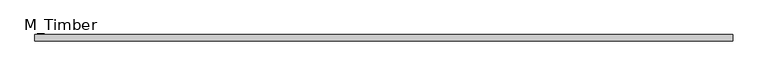
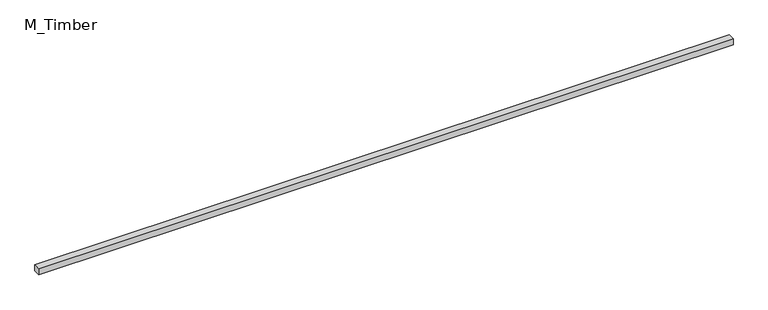
"""IFC4 building model written with IfcOpenShell, lengths in millimetres: beam geometry, M_Timber."""

from ifc_helpers import new_model, si_unit, frame, origin, place, context, project, spatial, polyline, outline, extrude, source, transform, mapped, element, save


def m_timber_11ebd1b0(model_context):
    return source(origin(), model_context, "Body", "SweptSolid", [
        extrude(outline(polyline([(2155.7893488, 20.0), (2155.7893488, -20.0), (-2155.7893488, -20.0), (-2155.7893488, 20.0), (2155.7893488, 20.0)])), frame((0.0, 0.0, -20.0), z_axis=(0.0, 0.0, 1.0), x_axis=(1.0, 0.0, 0.0)), (0.0, 0.0, 1.0), 40.0),
    ])


if __name__ == "__main__":
    model = new_model("IFC4")
    model_context = context("Model", 3, world=origin())
    ifc_project = project(units=[si_unit("LENGTHUNIT", "METRE", prefix="MILLI")], contexts=[model_context])
    site = spatial("IfcSite", under=ifc_project)
    building = spatial("IfcBuilding", under=site)
    placement = place(None, origin())
    m_timber_shape = m_timber_11ebd1b0(model_context)
    element("IfcBeam", 1, ObjectType="M_Timber", at=placement, inside=building, context=model_context, shape_type="MappedRepresentation", body=[
        mapped(m_timber_shape, transform((0.0, 0.0, 0.0), x_axis=(1.0, 0.0, 0.0), y_axis=(0.0, 1.0, 0.0), z_axis=(0.0, 0.0, 1.0))),
    ])
    save(model, "model.ifc")
